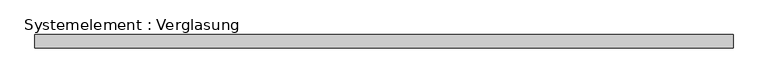
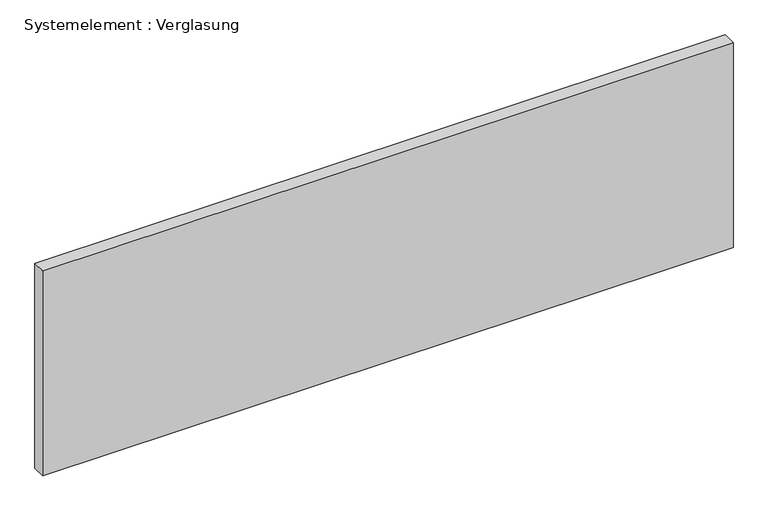
"""IFC4 building model written with IfcOpenShell, lengths in millimetres: plate geometry, Systemelement : Verglasung."""

from ifc_helpers import new_model, si_unit, origin, origin_with_axes, place, context, project, spatial, polyline, outline, extrude, source, transform, mapped, element, save


def systemelement_verglasung_00ab35a4(model_context):
    return source(origin(), model_context, "Body", "SweptSolid", [
        extrude(outline(polyline([(780.0, -15.0), (-780.0, -15.0), (-780.0, 15.0), (780.0, 15.0), (780.0, -15.0)])), origin_with_axes(), (0.0, 0.0, 1.0), 490.0),
    ])


if __name__ == "__main__":
    model = new_model("IFC4")
    model_context = context("Model", 3, world=origin())
    ifc_project = project(units=[si_unit("LENGTHUNIT", "METRE", prefix="MILLI")], contexts=[model_context])
    site = spatial("IfcSite", under=ifc_project)
    building = spatial("IfcBuilding", under=site)
    placement = place(None, origin())
    systemelement_verglasung_shape = systemelement_verglasung_00ab35a4(model_context)
    element("IfcPlate", 1, ObjectType="Systemelement : Verglasung", at=placement, inside=building, context=model_context, shape_type="MappedRepresentation", body=[
        mapped(systemelement_verglasung_shape, transform((0.0, 0.0, 0.0), x_axis=(1.0, 0.0, 0.0), y_axis=(0.0, 1.0, 0.0), z_axis=(0.0, 0.0, 1.0))),
    ])
    save(model, "model.ifc")
